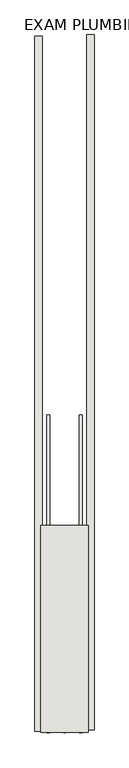
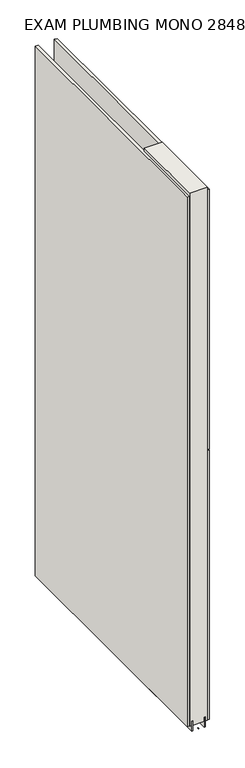
"""IFC4 building model written with IfcOpenShell, lengths in millimetres: wall geometry, EXAM PLUMBING MONO 284815 : EXAM PLUMBING MONO 284815."""

from ifc_helpers import new_model, si_unit, frame, origin, place, context, project, spatial, polyline, outline, extrude, source, transform, mapped, element, save


def exam_plumbing_mono_284815_exam_plumbing_mono_284815_97430ecb(model_context):
    return source(origin(), model_context, "Body", "SweptSolid", [
        extrude(outline(polyline([(78033.282211, -52540.831418), (78033.282211, -52543.371418), (78030.742211, -52543.371418), (78030.742211, -52540.831418), (78033.282211, -52540.831418)])), frame((0.0, 0.0, 4419.6), z_axis=(0.0, 0.0, 1.0), x_axis=(1.0, 0.0, 0.0)), (0.0, 0.0, 1.0), 2.54),
        extrude(outline(polyline([(77981.212211, -52541.3699996), (77981.212211, -51347.2469116), (77993.912211, -51347.2469116), (77993.912211, -52541.3699996), (77981.212211, -52541.3699996)])), frame((0.0, 0.0, 4445.0), z_axis=(0.0, 0.0, 1.0), x_axis=(1.0, 0.0, 0.0)), (0.0, 0.0, 1.0), 2545.0498756),
        extrude(outline(polyline([(78082.812211, -51344.785042), (78082.812211, -52538.90813), (78070.112211, -52538.90813), (78070.112211, -51344.785042), (78082.812211, -51344.785042)])), frame((0.0, 0.0, 4445.0), z_axis=(0.0, 0.0, 1.0), x_axis=(1.0, 0.0, 0.0)), (0.0, 0.0, 1.0), 1293.400004),
        extrude(outline(polyline([(78082.812211, -51344.785042), (78082.812211, -52538.90813), (78070.112211, -52538.90813), (78070.112211, -51344.785042), (78082.812211, -51344.785042)])), frame((0.0, 0.0, 5742.4000722), z_axis=(0.0, 0.0, 1.0), x_axis=(1.0, 0.0, 0.0)), (0.0, 0.0, 1.0), 1247.649905),
        extrude(outline(polyline([(78006.9284664, -51997.2788602), (78006.9284664, -52543.3788602), (78001.849711, -52543.3788602), (78001.849711, -51997.2788602), (78006.9284664, -51997.2788602)])), frame((0.0, 0.0, 4418.6602), z_axis=(0.0, 0.0, 1.0), x_axis=(1.0, 0.0, 0.0)), (0.0, 0.0, 1.0), 47.625),
        extrude(outline(polyline([(78006.9284664, -51997.2788602), (78006.9284664, -52543.3788602), (78001.849711, -52543.3788602), (78001.849711, -51997.2788602), (78006.9284664, -51997.2788602)])), frame((0.0, 0.0, 4418.6602), z_axis=(0.0, 0.0, 1.0), x_axis=(1.0, 0.0, 0.0)), (0.0, 0.0, 1.0), 47.625),
        extrude(outline(polyline([(78057.0959556, -52543.3788602), (78057.0959556, -51997.2788602), (78062.174711, -51997.2788602), (78062.174711, -52543.3788602), (78057.0959556, -52543.3788602)])), frame((0.0, 0.0, 4418.6602), z_axis=(0.0, 0.0, 1.0), x_axis=(1.0, 0.0, 0.0)), (0.0, 0.0, 1.0), 47.625),
        extrude(outline(polyline([(78057.0959556, -52543.3788602), (78057.0959556, -51997.2788602), (78062.174711, -51997.2788602), (78062.174711, -52543.3788602), (78057.0959556, -52543.3788602)])), frame((0.0, 0.0, 4418.6602), z_axis=(0.0, 0.0, 1.0), x_axis=(1.0, 0.0, 0.0)), (0.0, 0.0, 1.0), 47.625),
        extrude(outline(polyline([(77991.3573266, -52187.7788602), (78072.6670954, -52187.7788602), (78072.6670954, -52543.3788602), (77991.3573266, -52543.3788602), (77991.3573266, -52187.7788602)])), frame((0.0, 0.0, 4445.0), z_axis=(0.0, 0.0, 1.0), x_axis=(1.0, 0.0, 0.0)), (0.0, 0.0, 1.0), 2562.4536762),
    ])


if __name__ == "__main__":
    model = new_model("IFC4")
    model_context = context("Model", 3, world=origin())
    ifc_project = project(units=[si_unit("LENGTHUNIT", "METRE", prefix="MILLI")], contexts=[model_context])
    site = spatial("IfcSite", under=ifc_project)
    building = spatial("IfcBuilding", under=site)
    placement = place(None, origin())
    exam_plumbing_mono_284815_exam_plumbing_mono_284815_shape = exam_plumbing_mono_284815_exam_plumbing_mono_284815_97430ecb(model_context)
    element("IfcWall", 1, ObjectType="EXAM PLUMBING MONO 284815 : EXAM PLUMBING MONO 284815", at=placement, inside=building, context=model_context, shape_type="MappedRepresentation", body=[
        mapped(exam_plumbing_mono_284815_exam_plumbing_mono_284815_shape, transform((0.0, 0.0, 0.0), x_axis=(1.0, 0.0, 0.0), y_axis=(0.0, 1.0, 0.0), z_axis=(0.0, 0.0, 1.0))),
    ])
    save(model, "model.ifc")
